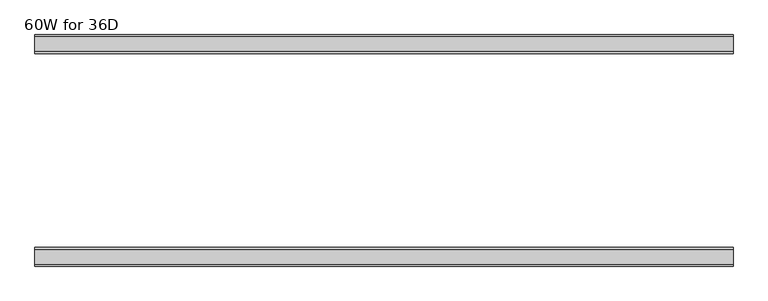
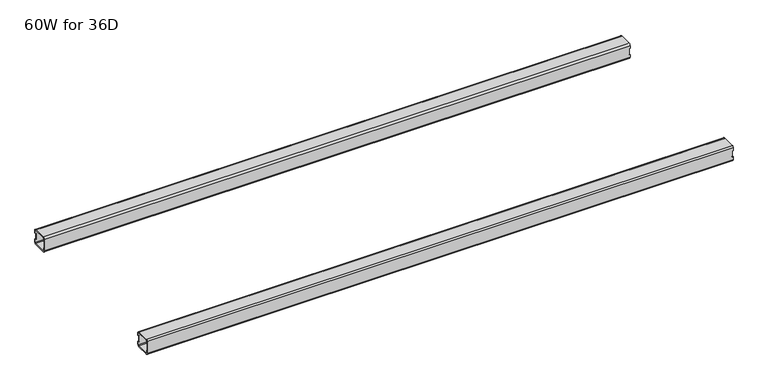
"""IFC4 building model written with IfcOpenShell, lengths in millimetres: furniture geometry, 60W for 36D."""

from ifc_helpers import new_model, si_unit, frame, origin, place, context, project, spatial, polyline, circle_curve, source, transform, mapped, element, save
from ifc_brep_helpers import plane_surface, cylinder_surface, revolved_surface, advanced_brep


def furniture_60w_for_36d_8652a8c9(model_context):
    return source(origin(), model_context, "Body", "AdvancedBrep", [
        advanced_brep(
        [(1499.0028, -607.088, 653.351), (1499.0028, -609.088, 651.351), (1499.0028, -641.088, 651.351), (1499.0028, -643.088, 653.351), (1499.0028, -643.088, 660.851), (1499.0028, -645.088, 660.851), (1499.0028, -645.088, 653.351), (1499.0028, -641.088, 649.351), (1499.0028, -609.088, 649.351), (1499.0028, -605.088, 653.351), (1499.0028, -605.088, 660.851), (1499.0028, -607.088, 660.851), (1499.0028, -643.088, 684.975), (1499.0028, -641.088, 686.975), (1499.0028, -609.088, 686.975), (1499.0028, -607.088, 684.975), (1499.0028, -607.088, 677.475), (1499.0028, -605.088, 677.475), (1499.0028, -605.088, 684.975), (1499.0028, -609.088, 688.975), (1499.0028, -641.088, 688.975), (1499.0028, -645.088, 684.975), (1499.0028, -645.088, 677.475), (1499.0028, -643.088, 677.475), (22.0, -607.088, 684.975), (22.0, -609.088, 686.975), (22.0, -641.088, 686.975), (22.0, -643.088, 684.975), (22.0, -643.088, 677.475), (22.0, -645.088, 677.475), (22.0, -645.088, 684.975), (22.0, -641.088, 688.975), (22.0, -609.088, 688.975), (22.0, -605.088, 684.975), (22.0, -605.088, 677.475), (22.0, -607.088, 677.475), (22.0, -643.088, 653.351), (22.0, -641.088, 651.351), (22.0, -609.088, 651.351), (22.0, -607.088, 653.351), (22.0, -607.088, 660.851), (22.0, -605.088, 660.851), (22.0, -605.088, 653.351), (22.0, -609.088, 649.351), (22.0, -641.088, 649.351), (22.0, -645.088, 653.351), (22.0, -645.088, 660.851), (22.0, -643.088, 660.851), (23.365, -643.088, 660.851), (24.0, -643.088, 661.486), (24.0, -643.088, 676.84), (23.365, -643.088, 677.475), (1497.6378, -643.088, 677.475), (1497.0028, -643.088, 676.84), (1497.0028, -643.088, 661.486), (1497.6378, -643.088, 660.851), (1497.6378, -607.088, 660.851), (1497.0028, -607.088, 661.486), (1497.0028, -607.088, 676.84), (1497.6378, -607.088, 677.475), (23.365, -607.088, 677.475), (24.0, -607.088, 676.84), (24.0, -607.088, 661.486), (23.365, -607.088, 660.851), (23.365, -645.088, 677.475), (24.0, -645.088, 676.84), (24.0, -645.088, 661.486), (23.365, -645.088, 660.851), (1497.6378, -645.088, 660.851), (1497.0028, -645.088, 661.486), (1497.0028, -645.088, 676.84), (1497.6378, -645.088, 677.475), (1497.6378, -605.088, 677.475), (1497.0028, -605.088, 676.84), (1497.0028, -605.088, 661.486), (1497.6378, -605.088, 660.851), (23.365, -605.088, 660.851), (24.0, -605.088, 661.486), (24.0, -605.088, 676.84), (23.365, -605.088, 677.475)],
        [
            (0, 1, circle_curve(frame((1499.0028, -609.088, 653.351), z_axis=(-1.0, 0.0, 0.0), x_axis=(0.0, 1.0, 0.0)), 2.0)),
            (1, 2),
            (2, 3, circle_curve(frame((1499.0028, -641.088, 653.351), z_axis=(-1.0, 0.0, 0.0), x_axis=(0.0, 1.0, 0.0)), 2.0)),
            (3, 4),
            (4, 5),
            (5, 6),
            (6, 7, circle_curve(frame((1499.0028, -641.088, 653.351), z_axis=(1.0, 0.0, 0.0), x_axis=(0.0, 1.0, 0.0)), 4.0)),
            (7, 8),
            (8, 9, circle_curve(frame((1499.0028, -609.088, 653.351), z_axis=(1.0, 0.0, 0.0), x_axis=(0.0, 1.0, 0.0)), 4.0)),
            (9, 10),
            (10, 11),
            (11, 0),
            (12, 13, circle_curve(frame((1499.0028, -641.088, 684.975), z_axis=(-1.0, 0.0, 0.0), x_axis=(0.0, 1.0, 0.0)), 2.0)),
            (13, 14),
            (14, 15, circle_curve(frame((1499.0028, -609.088, 684.975), z_axis=(-1.0, 0.0, 0.0), x_axis=(0.0, 1.0, 0.0)), 2.0)),
            (15, 16),
            (16, 17),
            (17, 18),
            (18, 19, circle_curve(frame((1499.0028, -609.088, 684.975), z_axis=(1.0, 0.0, 0.0), x_axis=(0.0, 1.0, 0.0)), 4.0)),
            (19, 20),
            (20, 21, circle_curve(frame((1499.0028, -641.088, 684.975), z_axis=(1.0, 0.0, 0.0), x_axis=(0.0, 1.0, 0.0)), 4.0)),
            (21, 22),
            (22, 23),
            (23, 12),
            (24, 25, circle_curve(frame((22.0, -609.088, 684.975), z_axis=(1.0, 0.0, 0.0), x_axis=(0.0, 1.0, 0.0)), 2.0)),
            (25, 26),
            (26, 27, circle_curve(frame((22.0, -641.088, 684.975), z_axis=(1.0, 0.0, 0.0), x_axis=(0.0, 1.0, 0.0)), 2.0)),
            (27, 28),
            (28, 29),
            (29, 30),
            (30, 31, circle_curve(frame((22.0, -641.088, 684.975), z_axis=(-1.0, 0.0, 0.0), x_axis=(0.0, 1.0, 0.0)), 4.0)),
            (31, 32),
            (32, 33, circle_curve(frame((22.0, -609.088, 684.975), z_axis=(-1.0, 0.0, 0.0), x_axis=(0.0, 1.0, 0.0)), 4.0)),
            (33, 34),
            (34, 35),
            (35, 24),
            (36, 37, circle_curve(frame((22.0, -641.088, 653.351), z_axis=(1.0, 0.0, 0.0), x_axis=(0.0, 1.0, 0.0)), 2.0)),
            (37, 38),
            (38, 39, circle_curve(frame((22.0, -609.088, 653.351), z_axis=(1.0, 0.0, 0.0), x_axis=(0.0, 1.0, 0.0)), 2.0)),
            (39, 40),
            (40, 41),
            (41, 42),
            (42, 43, circle_curve(frame((22.0, -609.088, 653.351), z_axis=(-1.0, 0.0, 0.0), x_axis=(0.0, 1.0, 0.0)), 4.0)),
            (43, 44),
            (44, 45, circle_curve(frame((22.0, -641.088, 653.351), z_axis=(-1.0, 0.0, 0.0), x_axis=(0.0, 1.0, 0.0)), 4.0)),
            (45, 46),
            (46, 47),
            (47, 36),
            (0, 39),
            (38, 1),
            (37, 2),
            (36, 3),
            (47, 48),
            (48, 49, circle_curve(frame((23.365, -643.088, 661.486), z_axis=(0.0, -1.0, 0.0), x_axis=(1.0, 0.0, 0.0)), 0.635)),
            (49, 50),
            (50, 51, circle_curve(frame((23.365, -643.088, 676.84), z_axis=(0.0, -1.0, 0.0), x_axis=(1.0, 0.0, 0.0)), 0.635)),
            (51, 28),
            (27, 12),
            (23, 52),
            (52, 53, circle_curve(frame((1497.6378, -643.088, 676.84), z_axis=(0.0, -1.0, 0.0), x_axis=(1.0, 0.0, 0.0)), 0.635)),
            (53, 54),
            (54, 55, circle_curve(frame((1497.6378, -643.088, 661.486), z_axis=(0.0, -1.0, 0.0), x_axis=(1.0, 0.0, 0.0)), 0.635)),
            (55, 4),
            (26, 13),
            (25, 14),
            (24, 15),
            (11, 56),
            (56, 57, circle_curve(frame((1497.6378, -607.088, 661.486), z_axis=(0.0, 1.0, 0.0), x_axis=(1.0, 0.0, 0.0)), 0.635)),
            (57, 58),
            (58, 59, circle_curve(frame((1497.6378, -607.088, 676.84), z_axis=(0.0, 1.0, 0.0), x_axis=(1.0, 0.0, 0.0)), 0.635)),
            (59, 16),
            (35, 60),
            (60, 61, circle_curve(frame((23.365, -607.088, 676.84), z_axis=(0.0, 1.0, 0.0), x_axis=(1.0, 0.0, 0.0)), 0.635)),
            (61, 62),
            (62, 63, circle_curve(frame((23.365, -607.088, 661.486), z_axis=(0.0, 1.0, 0.0), x_axis=(1.0, 0.0, 0.0)), 0.635)),
            (63, 40),
            (18, 33),
            (32, 19),
            (31, 20),
            (30, 21),
            (29, 64),
            (64, 65, circle_curve(frame((23.365, -645.088, 676.84), z_axis=(0.0, 1.0, 0.0), x_axis=(1.0, 0.0, 0.0)), 0.635)),
            (65, 66),
            (66, 67, circle_curve(frame((23.365, -645.088, 661.486), z_axis=(0.0, 1.0, 0.0), x_axis=(1.0, 0.0, 0.0)), 0.635)),
            (67, 46),
            (45, 6),
            (5, 68),
            (68, 69, circle_curve(frame((1497.6378, -645.088, 661.486), z_axis=(0.0, 1.0, 0.0), x_axis=(1.0, 0.0, 0.0)), 0.635)),
            (69, 70),
            (70, 71, circle_curve(frame((1497.6378, -645.088, 676.84), z_axis=(0.0, 1.0, 0.0), x_axis=(1.0, 0.0, 0.0)), 0.635)),
            (71, 22),
            (44, 7),
            (43, 8),
            (42, 9),
            (17, 72),
            (72, 73, circle_curve(frame((1497.6378, -605.088, 676.84), z_axis=(0.0, -1.0, 0.0), x_axis=(1.0, 0.0, 0.0)), 0.635)),
            (73, 74),
            (74, 75, circle_curve(frame((1497.6378, -605.088, 661.486), z_axis=(0.0, -1.0, 0.0), x_axis=(1.0, 0.0, 0.0)), 0.635)),
            (75, 10),
            (41, 76),
            (76, 77, circle_curve(frame((23.365, -605.088, 661.486), z_axis=(0.0, -1.0, 0.0), x_axis=(1.0, 0.0, 0.0)), 0.635)),
            (77, 78),
            (78, 79, circle_curve(frame((23.365, -605.088, 676.84), z_axis=(0.0, -1.0, 0.0), x_axis=(1.0, 0.0, 0.0)), 0.635)),
            (79, 34),
            (71, 52),
            (59, 72),
            (70, 53),
            (58, 73),
            (69, 54),
            (57, 74),
            (68, 55),
            (56, 75),
            (51, 64),
            (79, 60),
            (67, 48),
            (63, 76),
            (66, 49),
            (62, 77),
            (65, 50),
            (61, 78),
        ],
        [
            plane_surface(frame((1499.0028, -607.088, 653.351), z_axis=(1.0, 0.0, 0.0), x_axis=(0.0, 0.0, -1.0))),
            plane_surface(frame((22.0, -607.088, 653.351), z_axis=(-1.0, 0.0, 0.0), x_axis=(0.0, 0.0, 1.0))),
            revolved_surface(polyline([(22.0, -607.088, 653.351), (1499.0028, -607.088, 653.351)]), (22.0, -609.088, 653.351), (-1.0, 0.0, 0.0)),
            plane_surface(frame((1499.0028, -609.088, 651.351), z_axis=(0.0, -5.198608210600595e-12, 1.0), x_axis=(-1.0, 0.0, 0.0))),
            revolved_surface(polyline([(22.0, -639.088, 653.351), (1499.0028, -639.088, 653.351)]), (22.0, -641.088, 653.351), (-1.0, 0.0, 0.0)),
            plane_surface(frame((1499.0028, -643.088, 653.351), z_axis=(0.0, 1.0, 0.0), x_axis=(-1.0, 0.0, 0.0))),
            revolved_surface(polyline([(22.0, -639.088, 684.975), (1499.0028, -639.088, 684.975)]), (22.0, -641.088, 684.975), (-1.0, 0.0, 0.0)),
            plane_surface(frame((1499.0028, -641.088, 686.975), z_axis=(0.0, 0.0, -1.0), x_axis=(-1.0, 0.0, 0.0))),
            revolved_surface(polyline([(22.0, -607.088, 684.975), (1499.0028, -607.088, 684.975)]), (22.0, -609.088, 684.975), (-1.0, 0.0, 0.0)),
            plane_surface(frame((1499.0028, -607.088, 684.975), z_axis=(0.0, -1.0, 0.0), x_axis=(-1.0, 0.0, 0.0))),
            cylinder_surface(frame((0.0, -609.088, 684.975), z_axis=(1.0, 0.0, 0.0), x_axis=(0.0, 1.0, 0.0)), 4.0),
            plane_surface(frame((1499.0028, -609.088, 688.975), z_axis=(0.0, 0.0, 1.0), x_axis=(-1.0, 0.0, 0.0))),
            cylinder_surface(frame((0.0, -641.088, 684.975), z_axis=(1.0, 0.0, 0.0), x_axis=(0.0, 1.0, 0.0)), 4.0),
            plane_surface(frame((1499.0028, -645.088, 684.975), z_axis=(0.0, -1.0, 0.0), x_axis=(-1.0, 0.0, 0.0))),
            cylinder_surface(frame((0.0, -641.088, 653.351), z_axis=(1.0, 0.0, 0.0), x_axis=(0.0, 1.0, 0.0)), 4.0),
            plane_surface(frame((1499.0028, -641.088, 649.351), z_axis=(0.0, 0.0, -1.0), x_axis=(-1.0, 0.0, 0.0))),
            cylinder_surface(frame((0.0, -609.088, 653.351), z_axis=(1.0, 0.0, 0.0), x_axis=(0.0, 1.0, 0.0)), 4.0),
            plane_surface(frame((1499.0028, -605.088, 653.351), z_axis=(0.0, 1.0, -5.2518576384018155e-12), x_axis=(-1.0, 0.0, 0.0))),
            plane_surface(frame((1499.0028, -645.088, 677.475), z_axis=(1.130465684452016e-11, 0.0, -1.0), x_axis=(0.0, 1.0, 0.0))),
            revolved_surface(polyline([(1498.2728, -645.088, 676.84), (1498.2728, -643.088, 676.84)]), (1497.6378, -605.088, 676.84), (0.0, -1.0, 0.0)),
            revolved_surface(polyline([(1498.2728, -607.088, 676.84), (1498.2728, -605.088, 676.84)]), (1497.6378, -605.088, 676.84), (0.0, -1.0, 0.0)),
            plane_surface(frame((1497.0028, -645.088, 676.84), z_axis=(1.0, 0.0, 0.0), x_axis=(0.0, 1.0, 0.0))),
            revolved_surface(polyline([(1498.2728, -645.088, 661.486), (1498.2728, -643.088, 661.486)]), (1497.6378, -605.088, 661.486), (0.0, -1.0, 0.0)),
            revolved_surface(polyline([(1498.2728, -607.088, 661.486), (1498.2728, -605.088, 661.486)]), (1497.6378, -605.088, 661.486), (0.0, -1.0, 0.0)),
            plane_surface(frame((1497.6378, -645.088, 660.851), z_axis=(0.0, 0.0, 1.0), x_axis=(0.0, 1.0, 0.0))),
            plane_surface(frame((23.365, -645.088, 677.475), z_axis=(0.0, 0.0, -1.0), x_axis=(0.0, 1.0, 0.0))),
            plane_surface(frame((22.0, -645.088, 660.851), z_axis=(-1.1502984157403295e-11, 0.0, 1.0), x_axis=(0.0, 1.0, 0.0))),
            revolved_surface(polyline([(24.0, -645.088, 661.486), (24.0, -643.088, 661.486)]), (23.365, -605.088, 661.486), (0.0, -1.0, 0.0)),
            revolved_surface(polyline([(24.0, -607.088, 661.486), (24.0, -605.088, 661.486)]), (23.365, -605.088, 661.486), (0.0, -1.0, 0.0)),
            plane_surface(frame((24.0, -645.088, 661.486), z_axis=(-1.0, 0.0, 0.0), x_axis=(0.0, 1.0, 0.0))),
            revolved_surface(polyline([(24.0, -645.088, 676.84), (24.0, -643.088, 676.84)]), (23.365, -605.088, 676.84), (0.0, -1.0, 0.0)),
            revolved_surface(polyline([(24.0, -607.088, 676.84), (24.0, -605.088, 676.84)]), (23.365, -605.088, 676.84), (0.0, -1.0, 0.0)),
        ],
        [
            (0, [[1, 2, 3, 4, 5, 6, 7, 8, 9, 10, 11, 12]]),
            (0, [[13, 14, 15, 16, 17, 18, 19, 20, 21, 22, 23, 24]]),
            (1, [[25, 26, 27, 28, 29, 30, 31, 32, 33, 34, 35, 36]]),
            (1, [[37, 38, 39, 40, 41, 42, 43, 44, 45, 46, 47, 48]]),
            (2, [[-1, 49, -39, 50]]),
            (3, [[-2, -50, -38, 51]]),
            (4, [[-3, -51, -37, 52]]),
            (5, [[-52, -48, 53, 54, 55, 56, 57, -28, 58, -24, 59, 60, 61, 62, 63, -4]]),
            (6, [[-13, -58, -27, 64]]),
            (7, [[-14, -64, -26, 65]]),
            (8, [[-15, -65, -25, 66]]),
            (9, [[-49, -12, 67, 68, 69, 70, 71, -16, -66, -36, 72, 73, 74, 75, 76, -40]]),
            (10, [[-19, 77, -33, 78]]),
            (11, [[-20, -78, -32, 79]]),
            (12, [[-21, -79, -31, 80]]),
            (13, [[-80, -30, 81, 82, 83, 84, 85, -46, 86, -6, 87, 88, 89, 90, 91, -22]]),
            (14, [[-7, -86, -45, 92]]),
            (15, [[-8, -92, -44, 93]]),
            (16, [[-9, -93, -43, 94]]),
            (17, [[-77, -18, 95, 96, 97, 98, 99, -10, -94, -42, 100, 101, 102, 103, 104, -34]]),
            (18, [[105, -59, -23, -91]]),
            (18, [[106, -95, -17, -71]]),
            (19, [[-105, -90, 107, -60]]),
            (20, [[-106, -70, 108, -96]]),
            (21, [[-107, -89, 109, -61]]),
            (21, [[-108, -69, 110, -97]]),
            (22, [[-109, -88, 111, -62]]),
            (23, [[-110, -68, 112, -98]]),
            (24, [[-111, -87, -5, -63]]),
            (24, [[-112, -67, -11, -99]]),
            (25, [[113, -81, -29, -57]]),
            (25, [[114, -72, -35, -104]]),
            (26, [[115, -53, -47, -85]]),
            (26, [[116, -100, -41, -76]]),
            (27, [[-115, -84, 117, -54]]),
            (28, [[-116, -75, 118, -101]]),
            (29, [[-117, -83, 119, -55]]),
            (29, [[-118, -74, 120, -102]]),
            (30, [[-113, -56, -119, -82]]),
            (31, [[-114, -103, -120, -73]]),
        ],
    ),
        advanced_brep(
        [(1499.0028, -192.9996202, 684.975), (1499.0028, -190.9996202, 686.975), (1499.0028, -159.0003798, 686.975), (1499.0028, -157.0003798, 684.975), (1499.0028, -157.0003798, 677.475), (1499.0028, -155.0003798, 677.475), (1499.0028, -155.0003798, 684.975), (1499.0028, -159.0003798, 688.975), (1499.0028, -190.9996202, 688.975), (1499.0028, -194.9996202, 684.975), (1499.0028, -194.9996202, 677.475), (1499.0028, -192.9996202, 677.475), (1499.0028, -157.0003798, 653.351), (1499.0028, -159.0003798, 651.351), (1499.0028, -190.9996202, 651.351), (1499.0028, -192.9996202, 653.351), (1499.0028, -192.9996202, 660.851), (1499.0028, -194.9996202, 660.851), (1499.0028, -194.9996202, 653.351), (1499.0028, -190.9996202, 649.351), (1499.0028, -159.0003798, 649.351), (1499.0028, -155.0003798, 653.351), (1499.0028, -155.0003798, 660.851), (1499.0028, -157.0003798, 660.851), (22.0, -192.9996202, 653.351), (22.0, -190.9996202, 651.351), (22.0, -159.0003798, 651.351), (22.0, -157.0003798, 653.351), (22.0, -157.0003798, 660.851), (22.0, -155.0003798, 660.851), (22.0, -155.0003798, 653.351), (22.0, -159.0003798, 649.351), (22.0, -190.9996202, 649.351), (22.0, -194.9996202, 653.351), (22.0, -194.9996202, 660.851), (22.0, -192.9996202, 660.851), (22.0, -157.0003798, 684.975), (22.0, -159.0003798, 686.975), (22.0, -190.9996202, 686.975), (22.0, -192.9996202, 684.975), (22.0, -192.9996202, 677.475), (22.0, -194.9996202, 677.475), (22.0, -194.9996202, 684.975), (22.0, -190.9996202, 688.975), (22.0, -159.0003798, 688.975), (22.0, -155.0003798, 684.975), (22.0, -155.0003798, 677.475), (22.0, -157.0003798, 677.475), (1497.6378, -157.0003798, 660.851), (1497.0028, -157.0003798, 661.486), (1497.0028, -157.0003798, 676.84), (1497.6378, -157.0003798, 677.475), (23.365, -157.0003798, 677.475), (24.0, -157.0003798, 676.84), (24.0, -157.0003798, 661.486), (23.365, -157.0003798, 660.851), (23.365, -192.9996202, 660.851), (24.0, -192.9996202, 661.486), (24.0, -192.9996202, 676.84), (23.365, -192.9996202, 677.475), (1497.6378, -192.9996202, 677.475), (1497.0028, -192.9996202, 676.84), (1497.0028, -192.9996202, 661.486), (1497.6378, -192.9996202, 660.851), (1497.6378, -155.0003798, 677.475), (1497.0028, -155.0003798, 676.84), (1497.0028, -155.0003798, 661.486), (1497.6378, -155.0003798, 660.851), (23.365, -155.0003798, 660.851), (24.0, -155.0003798, 661.486), (24.0, -155.0003798, 676.84), (23.365, -155.0003798, 677.475), (23.365, -194.9996202, 677.475), (24.0, -194.9996202, 676.84), (24.0, -194.9996202, 661.486), (23.365, -194.9996202, 660.851), (1497.6378, -194.9996202, 660.851), (1497.0028, -194.9996202, 661.486), (1497.0028, -194.9996202, 676.84), (1497.6378, -194.9996202, 677.475)],
        [
            (0, 1, circle_curve(frame((1499.0028, -190.9996202, 684.975), z_axis=(-1.0, 0.0, 0.0), x_axis=(0.0, -1.0, 0.0)), 2.0)),
            (1, 2),
            (2, 3, circle_curve(frame((1499.0028, -159.0003798, 684.975), z_axis=(-1.0, 0.0, 0.0), x_axis=(0.0, -1.0, 0.0)), 2.0)),
            (3, 4),
            (4, 5),
            (5, 6),
            (6, 7, circle_curve(frame((1499.0028, -159.0003798, 684.975), z_axis=(1.0, 0.0, 0.0), x_axis=(0.0, -1.0, 0.0)), 4.0)),
            (7, 8),
            (8, 9, circle_curve(frame((1499.0028, -190.9996202, 684.975), z_axis=(1.0, 0.0, 0.0), x_axis=(0.0, -1.0, 0.0)), 4.0)),
            (9, 10),
            (10, 11),
            (11, 0),
            (12, 13, circle_curve(frame((1499.0028, -159.0003798, 653.351), z_axis=(-1.0, 0.0, 0.0), x_axis=(0.0, -1.0, 0.0)), 2.0)),
            (13, 14),
            (14, 15, circle_curve(frame((1499.0028, -190.9996202, 653.351), z_axis=(-1.0, 0.0, 0.0), x_axis=(0.0, -1.0, 0.0)), 2.0)),
            (15, 16),
            (16, 17),
            (17, 18),
            (18, 19, circle_curve(frame((1499.0028, -190.9996202, 653.351), z_axis=(1.0, 0.0, 0.0), x_axis=(0.0, -1.0, 0.0)), 4.0)),
            (19, 20),
            (20, 21, circle_curve(frame((1499.0028, -159.0003798, 653.351), z_axis=(1.0, 0.0, 0.0), x_axis=(0.0, -1.0, 0.0)), 4.0)),
            (21, 22),
            (22, 23),
            (23, 12),
            (24, 25, circle_curve(frame((22.0, -190.9996202, 653.351), z_axis=(1.0, 0.0, 0.0), x_axis=(0.0, -1.0, 0.0)), 2.0)),
            (25, 26),
            (26, 27, circle_curve(frame((22.0, -159.0003798, 653.351), z_axis=(1.0, 0.0, 0.0), x_axis=(0.0, -1.0, 0.0)), 2.0)),
            (27, 28),
            (28, 29),
            (29, 30),
            (30, 31, circle_curve(frame((22.0, -159.0003798, 653.351), z_axis=(-1.0, 0.0, 0.0), x_axis=(0.0, -1.0, 0.0)), 4.0)),
            (31, 32),
            (32, 33, circle_curve(frame((22.0, -190.9996202, 653.351), z_axis=(-1.0, 0.0, 0.0), x_axis=(0.0, -1.0, 0.0)), 4.0)),
            (33, 34),
            (34, 35),
            (35, 24),
            (36, 37, circle_curve(frame((22.0, -159.0003798, 684.975), z_axis=(1.0, 0.0, 0.0), x_axis=(0.0, -1.0, 0.0)), 2.0)),
            (37, 38),
            (38, 39, circle_curve(frame((22.0, -190.9996202, 684.975), z_axis=(1.0, 0.0, 0.0), x_axis=(0.0, -1.0, 0.0)), 2.0)),
            (39, 40),
            (40, 41),
            (41, 42),
            (42, 43, circle_curve(frame((22.0, -190.9996202, 684.975), z_axis=(-1.0, 0.0, 0.0), x_axis=(0.0, -1.0, 0.0)), 4.0)),
            (43, 44),
            (44, 45, circle_curve(frame((22.0, -159.0003798, 684.975), z_axis=(-1.0, 0.0, 0.0), x_axis=(0.0, -1.0, 0.0)), 4.0)),
            (45, 46),
            (46, 47),
            (47, 36),
            (14, 25),
            (24, 15),
            (13, 26),
            (12, 27),
            (23, 48),
            (48, 49, circle_curve(frame((1497.6378, -157.0003798, 661.486), z_axis=(0.0, 1.0, 0.0), x_axis=(1.0, 0.0, 0.0)), 0.635)),
            (49, 50),
            (50, 51, circle_curve(frame((1497.6378, -157.0003798, 676.84), z_axis=(0.0, 1.0, 0.0), x_axis=(1.0, 0.0, 0.0)), 0.635)),
            (51, 4),
            (3, 36),
            (47, 52),
            (52, 53, circle_curve(frame((23.365, -157.0003798, 676.84), z_axis=(0.0, 1.0, 0.0), x_axis=(1.0, 0.0, 0.0)), 0.635)),
            (53, 54),
            (54, 55, circle_curve(frame((23.365, -157.0003798, 661.486), z_axis=(0.0, 1.0, 0.0), x_axis=(1.0, 0.0, 0.0)), 0.635)),
            (55, 28),
            (2, 37),
            (1, 38),
            (0, 39),
            (35, 56),
            (56, 57, circle_curve(frame((23.365, -192.9996202, 661.486), z_axis=(0.0, -1.0, 0.0), x_axis=(1.0, 0.0, 0.0)), 0.635)),
            (57, 58),
            (58, 59, circle_curve(frame((23.365, -192.9996202, 676.84), z_axis=(0.0, -1.0, 0.0), x_axis=(1.0, 0.0, 0.0)), 0.635)),
            (59, 40),
            (11, 60),
            (60, 61, circle_curve(frame((1497.6378, -192.9996202, 676.84), z_axis=(0.0, -1.0, 0.0), x_axis=(1.0, 0.0, 0.0)), 0.635)),
            (61, 62),
            (62, 63, circle_curve(frame((1497.6378, -192.9996202, 661.486), z_axis=(0.0, -1.0, 0.0), x_axis=(1.0, 0.0, 0.0)), 0.635)),
            (63, 16),
            (8, 43),
            (42, 9),
            (7, 44),
            (6, 45),
            (5, 64),
            (64, 65, circle_curve(frame((1497.6378, -155.0003798, 676.84), z_axis=(0.0, -1.0, 0.0), x_axis=(1.0, 0.0, 0.0)), 0.635)),
            (65, 66),
            (66, 67, circle_curve(frame((1497.6378, -155.0003798, 661.486), z_axis=(0.0, -1.0, 0.0), x_axis=(1.0, 0.0, 0.0)), 0.635)),
            (67, 22),
            (21, 30),
            (29, 68),
            (68, 69, circle_curve(frame((23.365, -155.0003798, 661.486), z_axis=(0.0, -1.0, 0.0), x_axis=(1.0, 0.0, 0.0)), 0.635)),
            (69, 70),
            (70, 71, circle_curve(frame((23.365, -155.0003798, 676.84), z_axis=(0.0, -1.0, 0.0), x_axis=(1.0, 0.0, 0.0)), 0.635)),
            (71, 46),
            (20, 31),
            (19, 32),
            (18, 33),
            (41, 72),
            (72, 73, circle_curve(frame((23.365, -194.9996202, 676.84), z_axis=(0.0, 1.0, 0.0), x_axis=(1.0, 0.0, 0.0)), 0.635)),
            (73, 74),
            (74, 75, circle_curve(frame((23.365, -194.9996202, 661.486), z_axis=(0.0, 1.0, 0.0), x_axis=(1.0, 0.0, 0.0)), 0.635)),
            (75, 34),
            (17, 76),
            (76, 77, circle_curve(frame((1497.6378, -194.9996202, 661.486), z_axis=(0.0, 1.0, 0.0), x_axis=(1.0, 0.0, 0.0)), 0.635)),
            (77, 78),
            (78, 79, circle_curve(frame((1497.6378, -194.9996202, 676.84), z_axis=(0.0, 1.0, 0.0), x_axis=(1.0, 0.0, 0.0)), 0.635)),
            (79, 10),
            (51, 64),
            (79, 60),
            (50, 65),
            (78, 61),
            (49, 66),
            (77, 62),
            (48, 67),
            (76, 63),
            (71, 52),
            (59, 72),
            (55, 68),
            (75, 56),
            (54, 69),
            (74, 57),
            (53, 70),
            (73, 58),
        ],
        [
            plane_surface(frame((1499.0028, -192.9996202, 684.975), z_axis=(1.0, 0.0, 0.0), x_axis=(0.0, 0.0, 1.0))),
            plane_surface(frame((22.0, -192.9996202, 684.975), z_axis=(-1.0, 0.0, 0.0), x_axis=(0.0, 0.0, -1.0))),
            revolved_surface(polyline([(22.0, -192.9996202, 653.351), (1499.0028, -192.9996202, 653.351)]), (22.0, -190.9996202, 653.351), (-1.0, 0.0, 0.0)),
            plane_surface(frame((1499.0028, -159.0003798, 651.351), z_axis=(0.0, 0.0, 1.0), x_axis=(-1.0, 0.0, 0.0))),
            revolved_surface(polyline([(22.0, -161.0003798, 653.351), (1499.0028, -161.0003798, 653.351)]), (22.0, -159.0003798, 653.351), (-1.0, 0.0, 0.0)),
            plane_surface(frame((1499.0028, -157.0003798, 684.975), z_axis=(0.0, -1.0, 0.0), x_axis=(-1.0, 0.0, 0.0))),
            revolved_surface(polyline([(22.0, -161.0003798, 684.975), (1499.0028, -161.0003798, 684.975)]), (22.0, -159.0003798, 684.975), (-1.0, 0.0, 0.0)),
            plane_surface(frame((1499.0028, -190.9996202, 686.975), z_axis=(0.0, 0.0, -1.0), x_axis=(-1.0, 0.0, 0.0))),
            revolved_surface(polyline([(22.0, -192.9996202, 684.975), (1499.0028, -192.9996202, 684.975)]), (22.0, -190.9996202, 684.975), (-1.0, 0.0, 0.0)),
            plane_surface(frame((1499.0028, -192.9996202, 653.351), z_axis=(0.0, 1.0, 0.0), x_axis=(-1.0, 0.0, 0.0))),
            cylinder_surface(frame((0.0, -190.9996202, 684.975), z_axis=(1.0, 0.0, 0.0), x_axis=(0.0, -1.0, 0.0)), 4.0),
            plane_surface(frame((1499.0028, -159.0003798, 688.975), z_axis=(0.0, 0.0, 1.0), x_axis=(-1.0, 0.0, 0.0))),
            cylinder_surface(frame((0.0, -159.0003798, 684.975), z_axis=(1.0, 0.0, 0.0), x_axis=(0.0, -1.0, 0.0)), 4.0),
            plane_surface(frame((1499.0028, -155.0003798, 653.351), z_axis=(0.0, 1.0, 0.0), x_axis=(-1.0, 0.0, 0.0))),
            cylinder_surface(frame((0.0, -159.0003798, 653.351), z_axis=(1.0, 0.0, 0.0), x_axis=(0.0, -1.0, 0.0)), 4.0),
            plane_surface(frame((1499.0028, -190.9996202, 649.351), z_axis=(0.0, 0.0, -1.0), x_axis=(-1.0, 0.0, 0.0))),
            cylinder_surface(frame((0.0, -190.9996202, 653.351), z_axis=(1.0, 0.0, 0.0), x_axis=(0.0, -1.0, 0.0)), 4.0),
            plane_surface(frame((1499.0028, -194.9996202, 684.975), z_axis=(0.0, -1.0, 0.0), x_axis=(-1.0, 0.0, 0.0))),
            plane_surface(frame((1497.6378, -155.0003798, 677.475), z_axis=(-8.46857626692581e-11, 0.0, -1.0), x_axis=(0.0, -1.0, 0.0))),
            revolved_surface(polyline([(1498.2728, -155.0003798, 676.84), (1498.2728, -157.0003798, 676.84)]), (1497.6378, -194.9996202, 676.84), (0.0, 1.0, 0.0)),
            revolved_surface(polyline([(1498.2728, -192.9996202, 676.84), (1498.2728, -194.9996202, 676.84)]), (1497.6378, -194.9996202, 676.84), (0.0, 1.0, 0.0)),
            plane_surface(frame((1497.0028, -155.0003798, 661.486), z_axis=(1.0, 0.0, 6.100560549954068e-12), x_axis=(0.0, -1.0, 0.0))),
            revolved_surface(polyline([(1498.2728, -155.0003798, 661.486), (1498.2728, -157.0003798, 661.486)]), (1497.6378, -194.9996202, 661.486), (0.0, 1.0, 0.0)),
            revolved_surface(polyline([(1498.2728, -192.9996202, 661.486), (1498.2728, -194.9996202, 661.486)]), (1497.6378, -194.9996202, 661.486), (0.0, 1.0, 0.0)),
            plane_surface(frame((1499.0028, -155.0003798, 660.851), z_axis=(0.0, 0.0, 1.0), x_axis=(0.0, -1.0, 0.0))),
            plane_surface(frame((22.0, -155.0003798, 677.475), z_axis=(0.0, 0.0, -1.0), x_axis=(0.0, -1.0, 0.0))),
            plane_surface(frame((23.365, -155.0003798, 660.851), z_axis=(-2.8559133082148777e-11, 0.0, 1.0), x_axis=(0.0, -1.0, 0.0))),
            revolved_surface(polyline([(24.0, -155.0003798, 661.486), (24.0, -157.0003798, 661.486)]), (23.365, -194.9996202, 661.486), (0.0, 1.0, 0.0)),
            revolved_surface(polyline([(24.0, -192.9996202, 661.486), (24.0, -194.9996202, 661.486)]), (23.365, -194.9996202, 661.486), (0.0, 1.0, 0.0)),
            plane_surface(frame((24.0, -155.0003798, 676.84), z_axis=(-1.0, 0.0, 3.414484621396347e-12), x_axis=(0.0, -1.0, 0.0))),
            revolved_surface(polyline([(24.0, -155.0003798, 676.84), (24.0, -157.0003798, 676.84)]), (23.365, -194.9996202, 676.84), (0.0, 1.0, 0.0)),
            revolved_surface(polyline([(24.0, -192.9996202, 676.84), (24.0, -194.9996202, 676.84)]), (23.365, -194.9996202, 676.84), (0.0, 1.0, 0.0)),
        ],
        [
            (0, [[1, 2, 3, 4, 5, 6, 7, 8, 9, 10, 11, 12]]),
            (0, [[13, 14, 15, 16, 17, 18, 19, 20, 21, 22, 23, 24]]),
            (1, [[25, 26, 27, 28, 29, 30, 31, 32, 33, 34, 35, 36]]),
            (1, [[37, 38, 39, 40, 41, 42, 43, 44, 45, 46, 47, 48]]),
            (2, [[-15, 49, -25, 50]]),
            (3, [[-14, 51, -26, -49]]),
            (4, [[-13, 52, -27, -51]]),
            (5, [[-52, -24, 53, 54, 55, 56, 57, -4, 58, -48, 59, 60, 61, 62, 63, -28]]),
            (6, [[-3, 64, -37, -58]]),
            (7, [[-2, 65, -38, -64]]),
            (8, [[-1, 66, -39, -65]]),
            (9, [[-50, -36, 67, 68, 69, 70, 71, -40, -66, -12, 72, 73, 74, 75, 76, -16]]),
            (10, [[-9, 77, -43, 78]]),
            (11, [[-8, 79, -44, -77]]),
            (12, [[-7, 80, -45, -79]]),
            (13, [[-80, -6, 81, 82, 83, 84, 85, -22, 86, -30, 87, 88, 89, 90, 91, -46]]),
            (14, [[-21, 92, -31, -86]]),
            (15, [[-20, 93, -32, -92]]),
            (16, [[-19, 94, -33, -93]]),
            (17, [[-78, -42, 95, 96, 97, 98, 99, -34, -94, -18, 100, 101, 102, 103, 104, -10]]),
            (18, [[105, -81, -5, -57]]),
            (18, [[106, -72, -11, -104]]),
            (19, [[-105, -56, 107, -82]]),
            (20, [[-106, -103, 108, -73]]),
            (21, [[-107, -55, 109, -83]]),
            (21, [[-108, -102, 110, -74]]),
            (22, [[-109, -54, 111, -84]]),
            (23, [[-110, -101, 112, -75]]),
            (24, [[-111, -53, -23, -85]]),
            (24, [[-112, -100, -17, -76]]),
            (25, [[113, -59, -47, -91]]),
            (25, [[114, -95, -41, -71]]),
            (26, [[115, -87, -29, -63]]),
            (26, [[116, -67, -35, -99]]),
            (27, [[-115, -62, 117, -88]]),
            (28, [[-116, -98, 118, -68]]),
            (29, [[-117, -61, 119, -89]]),
            (29, [[-118, -97, 120, -69]]),
            (30, [[-119, -60, -113, -90]]),
            (31, [[-120, -96, -114, -70]]),
        ],
    ),
    ])


if __name__ == "__main__":
    model = new_model("IFC4")
    model_context = context("Model", 3, world=origin())
    ifc_project = project(units=[si_unit("LENGTHUNIT", "METRE", prefix="MILLI")], contexts=[model_context])
    site = spatial("IfcSite", under=ifc_project)
    building = spatial("IfcBuilding", under=site)
    placement = place(None, origin())
    furniture_60w_for_36d_shape = furniture_60w_for_36d_8652a8c9(model_context)
    element("IfcFurniture", 1, ObjectType="60W for 36D", at=placement, inside=building, context=model_context, shape_type="MappedRepresentation", body=[
        mapped(furniture_60w_for_36d_shape, transform((0.0, 0.0, 0.0), x_axis=(1.0, 0.0, 0.0), y_axis=(0.0, 1.0, 0.0), z_axis=(0.0, 0.0, 1.0))),
    ])
    save(model, "model.ifc")
